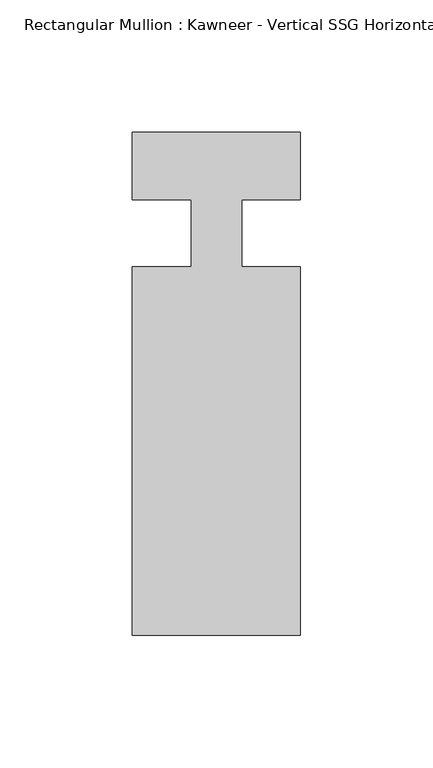
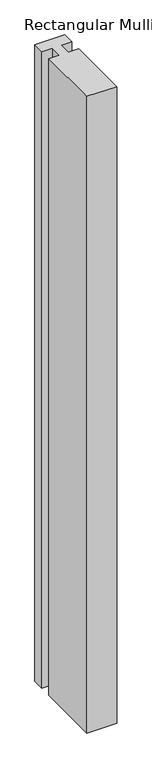
"""IFC4 building model written with IfcOpenShell, lengths in millimetres: member geometry."""

from ifc_helpers import new_model, si_unit, frame, origin, place, context, project, spatial, polyline, outline, extrude, source, transform, mapped, element, save


def member_bb26da06(model_context):
    return source(origin(), model_context, "Body", "SweptSolid", [
        extrude(outline(polyline([(-9.525, 12.7), (-31.75, 12.7), (-31.75, 38.1), (31.75, 38.1), (31.75, 12.7), (9.5251132, 12.7), (9.5251132, -12.7), (31.75, -12.7), (31.75, -151.892), (-31.75, -151.892), (-31.75, -12.7), (-9.525, -12.7), (-9.525, 12.7)])), frame((0.0, 0.0, -1421.4016552), z_axis=(0.0, 0.0, 1.0), x_axis=(1.0, 0.0, 0.0)), (0.0, 0.0, 1.0), 1421.4016552),
    ])


if __name__ == "__main__":
    model = new_model("IFC4")
    model_context = context("Model", 3, world=origin())
    ifc_project = project(units=[si_unit("LENGTHUNIT", "METRE", prefix="MILLI")], contexts=[model_context])
    site = spatial("IfcSite", under=ifc_project)
    building = spatial("IfcBuilding", under=site)
    placement = place(None, origin())
    member_shape = member_bb26da06(model_context)
    element("IfcMember", 1, ObjectType="Rectangular Mullion : Kawneer - Vertical SSG Horizontal Mullion - 7 1/2\"", at=placement, inside=building, context=model_context, shape_type="MappedRepresentation", body=[
        mapped(member_shape, transform((0.0, 0.0, 0.0), x_axis=(1.0, 0.0, 0.0), y_axis=(0.0, 1.0, 0.0), z_axis=(0.0, 0.0, 1.0))),
    ])
    save(model, "model.ifc")
